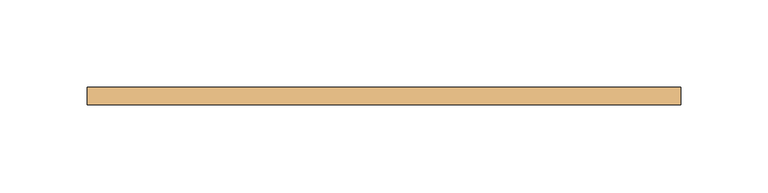
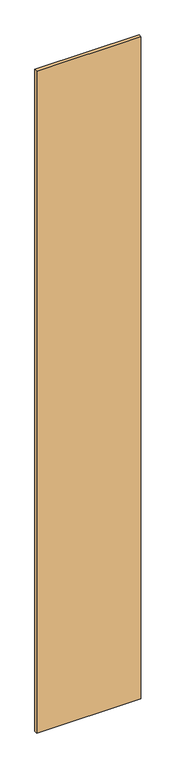
"""IFC4 building model written with IfcOpenShell, lengths in millimetres: door geometry."""

from ifc_helpers import new_model, si_unit, frame, origin, place, context, project, spatial, polyline, outline, extrude, source, transform, mapped, element, save


def door_7c713618(model_context):
    return source(origin(), model_context, "Body", "SweptSolid", [
        extrude(outline(polyline([(170.1111111, 5.0), (170.1111111, -5.0), (-170.1111111, -5.0), (-170.1111111, 5.0), (170.1111111, 5.0)])), frame((0.0, 0.0, 78.0), z_axis=(0.0, 0.0, 1.0), x_axis=(1.0, 0.0, 0.0)), (0.0, 0.0, 1.0), 2286.0),
    ])


if __name__ == "__main__":
    model = new_model("IFC4")
    model_context = context("Model", 3, world=origin())
    ifc_project = project(units=[si_unit("LENGTHUNIT", "METRE", prefix="MILLI")], contexts=[model_context])
    site = spatial("IfcSite", under=ifc_project)
    building = spatial("IfcBuilding", under=site)
    placement = place(None, origin())
    door_shape = door_7c713618(model_context)
    element("IfcDoor", 1, at=placement, inside=building, context=model_context, shape_type="MappedRepresentation", body=[
        mapped(door_shape, transform((0.0, 0.0, 0.0), x_axis=(1.0, 0.0, 0.0), y_axis=(0.0, 1.0, 0.0), z_axis=(0.0, 0.0, 1.0))),
    ])
    save(model, "model.ifc")
